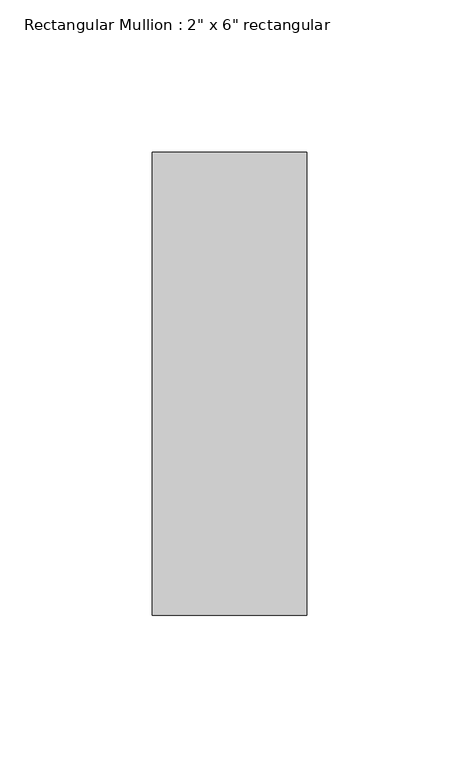
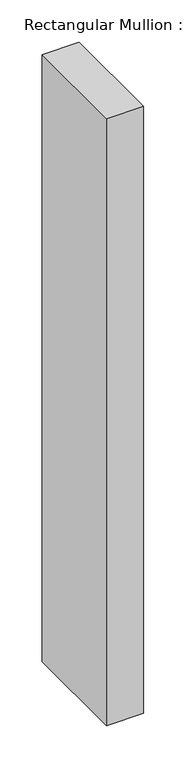
"""IFC4 building model written with IfcOpenShell, lengths in millimetres: member geometry."""

from ifc_helpers import new_model, si_unit, frame, origin, place, context, project, spatial, polyline, outline, extrude, source, transform, mapped, element, save


def member_c344f66d(model_context):
    return source(origin(), model_context, "Body", "SweptSolid", [
        extrude(outline(polyline([(0.0, 76.2), (0.0, -76.2), (-50.8, -76.2), (-50.8, 76.2), (0.0, 76.2)])), frame((0.0, 0.0, -876.7165389), z_axis=(0.0, 0.0, 1.0), x_axis=(1.0, 0.0, 0.0)), (0.0, 0.0, 1.0), 876.7165389),
    ])


if __name__ == "__main__":
    model = new_model("IFC4")
    model_context = context("Model", 3, world=origin())
    ifc_project = project(units=[si_unit("LENGTHUNIT", "METRE", prefix="MILLI")], contexts=[model_context])
    site = spatial("IfcSite", under=ifc_project)
    building = spatial("IfcBuilding", under=site)
    placement = place(None, origin())
    member_shape = member_c344f66d(model_context)
    element("IfcMember", 1, ObjectType="Rectangular Mullion : 2\" x 6\" rectangular", at=placement, inside=building, context=model_context, shape_type="MappedRepresentation", body=[
        mapped(member_shape, transform((0.0, 0.0, 0.0), x_axis=(1.0, 0.0, 0.0), y_axis=(0.0, 1.0, 0.0), z_axis=(0.0, 0.0, 1.0))),
    ])
    save(model, "model.ifc")
